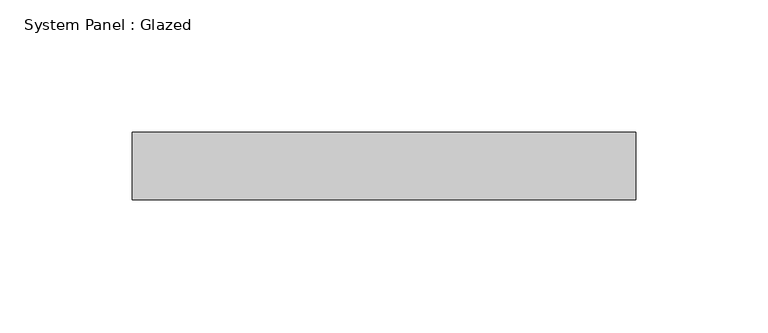
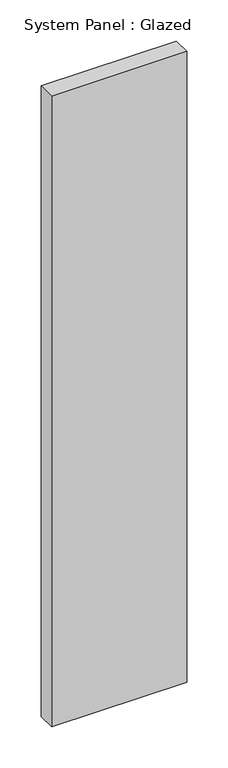
"""IFC4 building model written with IfcOpenShell, lengths in millimetres: plate geometry, System Panel : Glazed."""

import ifcopenshell
import ifcopenshell.guid

model = None  # the IFC model being written
_history = None  # IfcOwnerHistory: only IFC2X3 demands one
_inside = {}  # id of a spatial element -> (the spatial element, [elements in it])
_under = {}  # id of a project, library or spatial element -> (it, [spatial elements below it])
_declared = {}  # id of a project -> (the project, [libraries it declares])
_typed = {}  # id of a type object -> (the type object, [elements of that type])
_made_of = {}  # id of a material, layer set ... -> (it, [elements and type objects made of it])


def new_model(schema):
    """Start an empty IFC model of exactly this schema.

    Asked for "IFC4X3", IfcOpenShell would pick the latest addendum, in which some entities
    have other attributes; the version numbers below select the first issue.
    IFC2X3 requires an IfcOwnerHistory on every rooted entity: one is made here for all.
    """
    global model, _history
    if schema == "IFC4X3":
        model = ifcopenshell.file(schema_version=(4, 3, 0, 0))
    else:
        model = ifcopenshell.file(schema=schema)
    _inside.clear()
    _under.clear()
    _declared.clear()
    _typed.clear()
    _made_of.clear()
    _history = None
    if model.schema == "IFC2X3":
        org = make("IfcOrganization", Name="unknown")
        user = make(
            "IfcPersonAndOrganization",
            ThePerson=make("IfcPerson", FamilyName="unknown"),
            TheOrganization=org,
        )
        app = make(
            "IfcApplication",
            ApplicationDeveloper=org,
            Version="unknown",
            ApplicationFullName="unknown",
            ApplicationIdentifier="unknown",
        )
        _history = make(
            "IfcOwnerHistory",
            OwningUser=user,
            OwningApplication=app,
            ChangeAction="ADDED",
            CreationDate=0,
        )
    return model


def make(cls, **values):
    """One entity of the class cls with the attributes given. An attribute that is None is left unset."""
    return model.create_entity(
        cls, **{name: value for name, value in values.items() if value is not None}
    )


def rooted(cls, **values):
    """An entity with a GlobalId (a new one), such as an element, a storey or a relation."""
    return make(cls, GlobalId=ifcopenshell.guid.new(), OwnerHistory=_history, **values)


def si_unit(unit_type, name, prefix=None):
    """IfcSIUnit, for example si_unit("LENGTHUNIT", "METRE", prefix="MILLI")."""
    return make("IfcSIUnit", UnitType=unit_type, Prefix=prefix, Name=name)


def assignment(units):
    """IfcUnitAssignment: the units of a project."""
    return None if units is None else make("IfcUnitAssignment", Units=units)


def point(xyz):
    """IfcCartesianPoint."""
    return None if xyz is None else make("IfcCartesianPoint", Coordinates=xyz)


def direction(xyz):
    """IfcDirection."""
    return None if xyz is None else make("IfcDirection", DirectionRatios=xyz)


def frame(location, z_axis=None, x_axis=None):
    """IfcAxis2Placement3D, a coordinate frame: its origin and axes. An axis left out is left unset."""
    return make(
        "IfcAxis2Placement3D",
        Location=point(location),
        Axis=direction(z_axis),
        RefDirection=direction(x_axis),
    )


def origin():
    """The frame at (0, 0, 0) with its axes left unset."""
    return frame((0.0, 0.0, 0.0))


def origin_with_axes():
    """The frame at (0, 0, 0) with the z axis (0, 0, 1) and the x axis (1, 0, 0) written out."""
    return frame((0.0, 0.0, 0.0), z_axis=(0.0, 0.0, 1.0), x_axis=(1.0, 0.0, 0.0))


def place(relative_to, where):
    """IfcLocalPlacement: puts the frame where relative to a parent placement (None: the world)."""
    return make(
        "IfcLocalPlacement", PlacementRelTo=relative_to, RelativePlacement=where
    )


def context(
    kind, dimensions, precision=None, world=None, true_north=None, identifier=None
):
    """IfcGeometricRepresentationContext, for example the 3D "Model" context."""
    return make(
        "IfcGeometricRepresentationContext",
        ContextIdentifier=identifier,
        ContextType=kind,
        CoordinateSpaceDimension=dimensions,
        Precision=precision,
        WorldCoordinateSystem=world,
        TrueNorth=true_north,
    )


def project(units=None, contexts=None):
    """IfcProject with its units and contexts."""
    return rooted(
        "IfcProject",
        Name="project",
        RepresentationContexts=contexts,
        UnitsInContext=assignment(units),
    )


def spatial(cls, under=None, at=None, **own):
    """A site, building, storey or space (cls), placed at a placement, below another one or the project."""
    s = rooted(cls, ObjectPlacement=at, **own)
    if under is not None:
        _under.setdefault(under.id(), (under, []))[1].append(s)
    return s


def polyline(points):
    """IfcPolyline through the points."""
    return make("IfcPolyline", Points=[point(p) for p in points])


def outline(outer, holes=None, kind="AREA"):
    """IfcArbitraryClosedProfileDef: a profile drawn as a closed curve; with holes, ...WithVoids."""
    if holes is None:
        return make("IfcArbitraryClosedProfileDef", ProfileType=kind, OuterCurve=outer)
    return make(
        "IfcArbitraryProfileDefWithVoids",
        ProfileType=kind,
        OuterCurve=outer,
        InnerCurves=holes,
    )


def extrude(swept, where, along, depth):
    """IfcExtrudedAreaSolid: the profile swept, set in the frame where, extruded along a direction by depth."""
    return make(
        "IfcExtrudedAreaSolid",
        SweptArea=swept,
        Position=where,
        ExtrudedDirection=direction(along),
        Depth=depth,
    )


def shape(context_of_items, identifier, shape_type, items):
    """IfcShapeRepresentation: the items that make up one representation, for example the "Body"."""
    return make(
        "IfcShapeRepresentation",
        ContextOfItems=context_of_items,
        RepresentationIdentifier=identifier,
        RepresentationType=shape_type,
        Items=items,
    )


def source(mapping_origin, context_of_items, identifier, shape_type, items):
    """IfcRepresentationMap: a shape defined once, which mapped items show again and again."""
    return make(
        "IfcRepresentationMap",
        MappingOrigin=mapping_origin,
        MappedRepresentation=shape(context_of_items, identifier, shape_type, items),
    )


def transform(
    local_origin,
    x_axis=None,
    y_axis=None,
    z_axis=None,
    scale=None,
    scale2=None,
    scale3=None,
    uniform=True,
):
    """IfcCartesianTransformationOperator3D, or its non-uniform kind. x_axis, y_axis, z_axis: its Axis1, 2, 3."""
    if uniform:
        return make(
            "IfcCartesianTransformationOperator3D",
            Axis1=direction(x_axis),
            Axis2=direction(y_axis),
            LocalOrigin=point(local_origin),
            Scale=scale,
            Axis3=direction(z_axis),
        )
    return make(
        "IfcCartesianTransformationOperator3DnonUniform",
        Axis1=direction(x_axis),
        Axis2=direction(y_axis),
        LocalOrigin=point(local_origin),
        Scale=scale,
        Axis3=direction(z_axis),
        Scale2=scale2,
        Scale3=scale3,
    )


def mapped(mapping_source, mapping_target):
    """IfcMappedItem: shows the shape of a source again, moved by a transform."""
    return make(
        "IfcMappedItem", MappingSource=mapping_source, MappingTarget=mapping_target
    )


def made_of(thing, what):
    """Note that an element or type object is made of a material, layer set ...; save() writes the relation."""
    if what is not None:
        _made_of.setdefault(what.id(), (what, []))[1].append(thing)
    return thing


def element(
    cls,
    number,
    at=None,
    inside=None,
    cuts=None,
    type_object=None,
    material=None,
    context=None,
    identifier="Body",
    shape_type=None,
    held_by="IfcProductDefinitionShape",
    body=None,
    shapes=None,
    **own,
):
    """One element of the class cls, such as IfcWall. Its Tag is "e" and its number.

    at: its placement. inside: the storey or other place that contains it. cuts: it is an
    opening in that element (IfcRelVoidsElement). A single representation is given by context,
    identifier, shape_type and body (its items); several are given by shapes. held_by: the class
    of the entity that holds the representations. save() writes the other relations.
    """
    e = rooted(cls, Tag="e%d" % number, ObjectPlacement=at, **own)
    if body is not None:
        shapes = [shape(context, identifier, shape_type, body)]
    if shapes is not None:
        e.Representation = make(held_by, Representations=shapes)
    if inside is not None:
        _inside.setdefault(inside.id(), (inside, []))[1].append(e)
    if cuts is not None:
        rooted(
            "IfcRelVoidsElement", RelatingBuildingElement=cuts, RelatedOpeningElement=e
        )
    if type_object is not None:
        _typed.setdefault(type_object.id(), (type_object, []))[1].append(e)
    return made_of(e, material)


def aggregate(whole, parts):
    """IfcRelAggregates: a whole, such as a stair, and the parts it consists of."""
    return rooted("IfcRelAggregates", RelatingObject=whole, RelatedObjects=parts)


def save(model, path):
    """Write the relations noted so far, then the file.

    IfcRelAggregates (storeys below a building ...), IfcRelContainedInSpatialStructure (elements
    in a storey), IfcRelDefinesByType, IfcRelAssociatesMaterial and IfcRelDeclares: one each for
    every whole, place, type object, material and project.
    """
    for whole, parts in _under.values():
        aggregate(whole, parts)
    for where, things in _inside.values():
        rooted(
            "IfcRelContainedInSpatialStructure",
            RelatedElements=things,
            RelatingStructure=where,
        )
    for kind, things in _typed.values():
        rooted("IfcRelDefinesByType", RelatedObjects=things, RelatingType=kind)
    for what, things in _made_of.values():
        rooted("IfcRelAssociatesMaterial", RelatedObjects=things, RelatingMaterial=what)
    for by, libraries in _declared.values():
        rooted("IfcRelDeclares", RelatingContext=by, RelatedDefinitions=libraries)
    model.write(path)


def system_panel_glazed_a8bee0ae(model_context):
    return source(origin(), model_context, "Body", "SweptSolid", [
        extrude(outline(polyline([(95.0, 19.05), (-95.0, 19.05), (-95.0, 44.45), (95.0, 44.45), (95.0, 19.05)])), origin_with_axes(), (0.0, 0.0, 1.0), 936.5),
    ])


if __name__ == "__main__":
    model = new_model("IFC4")
    model_context = context("Model", 3, world=origin())
    ifc_project = project(units=[si_unit("LENGTHUNIT", "METRE", prefix="MILLI")], contexts=[model_context])
    site = spatial("IfcSite", under=ifc_project)
    building = spatial("IfcBuilding", under=site)
    placement = place(None, origin())
    system_panel_glazed_shape = system_panel_glazed_a8bee0ae(model_context)
    element("IfcPlate", 1, ObjectType="System Panel : Glazed", at=placement, inside=building, context=model_context, shape_type="MappedRepresentation", body=[
        mapped(system_panel_glazed_shape, transform((0.0, 0.0, 0.0), x_axis=(1.0, 0.0, 0.0), y_axis=(0.0, 1.0, 0.0), z_axis=(0.0, 0.0, 1.0))),
    ])
    save(model, "model.ifc")
